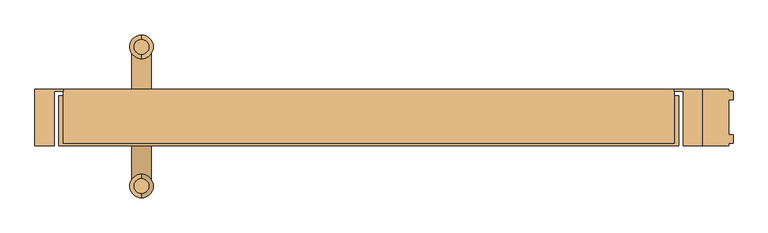
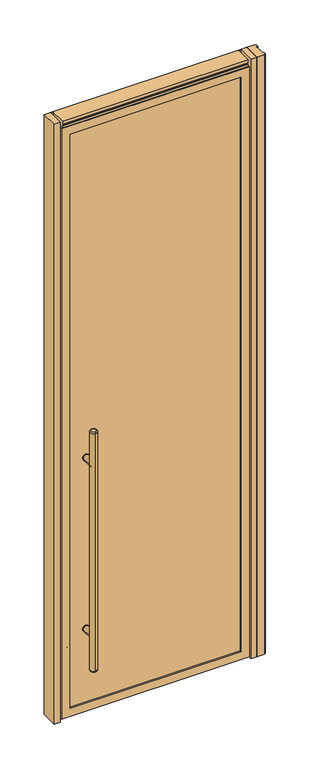
"""IFC4 building model written with IfcOpenShell, lengths in millimetres: door geometry."""

from ifc_helpers import new_model, si_unit, point, frame, frame_2d, origin, origin_with_axes, place, context, project, spatial, polyline, circle_curve, ellipse_curve, trimmed, segment, composite_curve, outline, extrude, faceted_brep, source, transform, mapped, element, save
from ifc_brep_helpers import plane_surface, cylinder_surface, revolved_surface, advanced_brep


def door_1d36312b(model_context):
    return source(origin(), model_context, "Body", "SolidModel", [
        extrude(outline(composite_curve([segment(trimmed(circle_curve(frame_2d((428.625, -331.7875)), 15.875), [point((428.625, -347.6625))], [point((428.625, -315.9125))], False, "CARTESIAN"), True, "CONTINUOUS"), segment(trimmed(circle_curve(frame_2d((428.625, -331.7875)), 15.875), [point((428.625, -315.9125))], [point((428.625, -347.6625))], False, "CARTESIAN"), True, "CONTINUOUS")], self_intersect=False)), frame((0.0, 6.35, 0.0), z_axis=(0.0, 1.0, 0.0), x_axis=(0.0, 0.0, 1.0)), (0.0, 0.0, 1.0), 3.175),
        extrude(outline(composite_curve([segment(trimmed(circle_curve(frame_2d((1298.575, -331.7875)), 15.875), [point((1298.575, -315.9125))], [point((1298.575, -347.6625))], False, "CARTESIAN"), True, "CONTINUOUS"), segment(trimmed(circle_curve(frame_2d((1298.575, -331.7875)), 15.875), [point((1298.575, -347.6625))], [point((1298.575, -315.9125))], False, "CARTESIAN"), True, "CONTINUOUS")], self_intersect=False)), frame((0.0, 6.35, 0.0), z_axis=(0.0, 1.0, 0.0), x_axis=(0.0, 0.0, 1.0)), (0.0, 0.0, 1.0), 3.175),
        extrude(outline(composite_curve([segment(trimmed(circle_curve(frame_2d((428.625, -331.7875)), 15.875), [point((428.625, -347.6625))], [point((428.625, -315.9125))], False, "CARTESIAN"), True, "CONTINUOUS"), segment(trimmed(circle_curve(frame_2d((428.625, -331.7875)), 15.875), [point((428.625, -315.9125))], [point((428.625, -347.6625))], False, "CARTESIAN"), True, "CONTINUOUS")], self_intersect=False)), frame((0.0, -69.85, 0.0), z_axis=(0.0, 1.0, 0.0), x_axis=(0.0, 0.0, 1.0)), (0.0, 0.0, 1.0), 3.175),
        extrude(outline(composite_curve([segment(trimmed(circle_curve(frame_2d((1298.575, -331.7875)), 15.875), [point((1298.575, -347.6625))], [point((1298.575, -315.9125))], False, "CARTESIAN"), True, "CONTINUOUS"), segment(trimmed(circle_curve(frame_2d((1298.575, -331.7875)), 15.875), [point((1298.575, -315.9125))], [point((1298.575, -347.6625))], False, "CARTESIAN"), True, "CONTINUOUS")], self_intersect=False)), frame((0.0, -69.85, 0.0), z_axis=(0.0, 1.0, 0.0), x_axis=(0.0, 0.0, 1.0)), (0.0, 0.0, 1.0), 3.175),
        extrude(outline(composite_curve([segment(trimmed(circle_curve(frame_2d((428.625, -331.7875)), 14.2875), [point((428.625, -317.5))], [point((428.625, -346.075))], False, "CARTESIAN"), True, "CONTINUOUS"), segment(trimmed(circle_curve(frame_2d((428.625, -331.7875)), 14.2875), [point((428.625, -346.075))], [point((428.625, -317.5))], False, "CARTESIAN"), True, "CONTINUOUS")], self_intersect=False)), frame((0.0, -131.7625, 0.0), z_axis=(0.0, 1.0, 0.0), x_axis=(0.0, 0.0, 1.0)), (0.0, 0.0, 1.0), 65.0875),
        extrude(outline(composite_curve([segment(trimmed(circle_curve(frame_2d((1298.575, -331.7875)), 14.2875), [point((1298.575, -317.5))], [point((1298.575, -346.075))], False, "CARTESIAN"), True, "CONTINUOUS"), segment(trimmed(circle_curve(frame_2d((1298.575, -331.7875)), 14.2875), [point((1298.575, -346.075))], [point((1298.575, -317.5))], False, "CARTESIAN"), True, "CONTINUOUS")], self_intersect=False)), frame((0.0, -131.7625, 0.0), z_axis=(0.0, 1.0, 0.0), x_axis=(0.0, 0.0, 1.0)), (0.0, 0.0, 1.0), 65.0875),
        advanced_brep(
        [(-331.7875, 60.6425, 1473.2), (-331.7875, 82.2325, 1473.2), (-331.7875, 82.2325, 254.0), (-331.7875, 60.6425, 254.0), (-331.7875, 88.5825, 260.35), (-331.7875, 88.5825, 1466.85), (-331.7875, 54.2925, 1466.85), (-331.7875, 54.2925, 260.35)],
        [
            (0, 1, circle_curve(frame((-331.7875, 71.4375, 1473.2), z_axis=(0.0, 0.0, 1.0), x_axis=(0.0, -1.0, 0.0)), 10.795)),
            (1, 0, circle_curve(frame((-331.7875, 71.4375, 1473.2), z_axis=(0.0, 0.0, 1.0), x_axis=(0.0, -1.0, 0.0)), 10.795)),
            (2, 3, circle_curve(frame((-331.7875, 71.4375, 254.0), z_axis=(0.0, 0.0, -1.0), x_axis=(0.0, -1.0, 0.0)), 10.795)),
            (3, 2, circle_curve(frame((-331.7875, 71.4375, 254.0), z_axis=(0.0, 0.0, -1.0), x_axis=(0.0, -1.0, 0.0)), 10.795)),
            (4, 5),
            (5, 6, circle_curve(frame((-331.7875, 71.4375, 1466.85), z_axis=(0.0, 0.0, -1.0), x_axis=(0.0, -1.0, 0.0)), 17.145)),
            (6, 7),
            (7, 4, circle_curve(frame((-331.7875, 71.4375, 260.35), z_axis=(0.0, 0.0, 1.0), x_axis=(0.0, -1.0, 0.0)), 17.145)),
            (6, 5, circle_curve(frame((-331.7875, 71.4375, 1466.85), z_axis=(0.0, 0.0, -1.0), x_axis=(0.0, -1.0, 0.0)), 17.145)),
            (4, 7, circle_curve(frame((-331.7875, 71.4375, 260.35), z_axis=(0.0, 0.0, 1.0), x_axis=(0.0, -1.0, 0.0)), 17.145)),
            (3, 7, circle_curve(frame((-331.7875, 60.6425, 260.35), z_axis=(-1.0, 0.0, 0.0), x_axis=(0.0, -1.0, 0.0)), 6.35)),
            (4, 2, circle_curve(frame((-331.7875, 82.2325, 260.35), z_axis=(-1.0, 0.0, 0.0), x_axis=(0.0, 1.0, 0.0)), 6.35)),
            (6, 0, circle_curve(frame((-331.7875, 60.6425, 1466.85), z_axis=(-1.0, 0.0, 0.0), x_axis=(0.0, -1.0, 0.0)), 6.35)),
            (1, 5, circle_curve(frame((-331.7875, 82.2325, 1466.85), z_axis=(-1.0, 0.0, 0.0), x_axis=(0.0, 1.0, 0.0)), 6.35)),
        ],
        [
            plane_surface(frame((-331.7875, -148.9075, 1473.2), z_axis=(0.0, 0.0, 1.0), x_axis=(-1.0, 0.0, 0.0))),
            plane_surface(frame((-331.7875, -148.9075, 254.0), z_axis=(0.0, 0.0, -1.0), x_axis=(1.0, 0.0, 0.0))),
            cylinder_surface(frame((-331.7875, 71.4375, 254.0), z_axis=(0.0, 0.0, 1.0), x_axis=(0.0, -1.0, 0.0)), 17.145),
            revolved_surface(trimmed(ellipse_curve(frame((-331.7875, 60.6425, 260.35), z_axis=(-1.0, 0.0, 0.0), x_axis=(0.0, -1.0, 0.0)), 6.35, 6.35), [point((-331.7875, 60.6425, 254.0))], [point((-331.7875, 54.2925, 260.35))], True, "CARTESIAN"), (-331.7875, 71.4375, 2082.8), (0.0, 0.0, 1.0)),
            revolved_surface(trimmed(ellipse_curve(frame((-331.7875, 60.6425, 1466.85), z_axis=(-1.0, 0.0, 0.0), x_axis=(0.0, -1.0, 0.0)), 6.35, 6.35), [point((-331.7875, 54.2925, 1466.85))], [point((-331.7875, 60.6425, 1473.2))], True, "CARTESIAN"), (-331.7875, 71.4375, -355.6), (0.0, 0.0, 1.0)),
        ],
        [
            (0, [[1, 2]]),
            (1, [[3, 4]]),
            (2, [[5, 6, 7, 8]]),
            (2, [[-7, 9, -5, 10]]),
            (3, [[-4, 11, -10, 12]]),
            (3, [[-8, -11, -3, -12]]),
            (4, [[-9, 13, -2, 14]]),
            (4, [[-1, -13, -6, -14]]),
        ],
    ),
        advanced_brep(
        [(-331.7875, -142.5575, 1473.2), (-331.7875, -120.9675, 1473.2), (-331.7875, -120.9675, 254.0), (-331.7875, -142.5575, 254.0), (-331.7875, -114.6175, 260.35), (-331.7875, -114.6175, 1466.85), (-331.7875, -148.9075, 1466.85), (-331.7875, -148.9075, 260.35)],
        [
            (0, 1, circle_curve(frame((-331.7875, -131.7625, 1473.2), z_axis=(0.0, 0.0, 1.0), x_axis=(0.0, 1.0, 0.0)), 10.795)),
            (1, 0, circle_curve(frame((-331.7875, -131.7625, 1473.2), z_axis=(0.0, 0.0, 1.0), x_axis=(0.0, 1.0, 0.0)), 10.795)),
            (2, 3, circle_curve(frame((-331.7875, -131.7625, 254.0), z_axis=(0.0, 0.0, -1.0), x_axis=(0.0, 1.0, 0.0)), 10.795)),
            (3, 2, circle_curve(frame((-331.7875, -131.7625, 254.0), z_axis=(0.0, 0.0, -1.0), x_axis=(0.0, 1.0, 0.0)), 10.795)),
            (4, 5),
            (5, 6, circle_curve(frame((-331.7875, -131.7625, 1466.85), z_axis=(0.0, 0.0, -1.0), x_axis=(0.0, -1.0, 0.0)), 17.145)),
            (6, 7),
            (7, 4, circle_curve(frame((-331.7875, -131.7625, 260.35), z_axis=(0.0, 0.0, 1.0), x_axis=(0.0, -1.0, 0.0)), 17.145)),
            (6, 5, circle_curve(frame((-331.7875, -131.7625, 1466.85), z_axis=(0.0, 0.0, -1.0), x_axis=(0.0, -1.0, 0.0)), 17.145)),
            (4, 7, circle_curve(frame((-331.7875, -131.7625, 260.35), z_axis=(0.0, 0.0, 1.0), x_axis=(0.0, -1.0, 0.0)), 17.145)),
            (4, 2, circle_curve(frame((-331.7875, -120.9675, 260.35), z_axis=(-1.0, 0.0, 0.0), x_axis=(0.0, 1.0, 0.0)), 6.35)),
            (3, 7, circle_curve(frame((-331.7875, -142.5575, 260.35), z_axis=(-1.0, 0.0, 0.0), x_axis=(0.0, -1.0, 0.0)), 6.35)),
            (1, 5, circle_curve(frame((-331.7875, -120.9675, 1466.85), z_axis=(-1.0, 0.0, 0.0), x_axis=(0.0, 1.0, 0.0)), 6.35)),
            (6, 0, circle_curve(frame((-331.7875, -142.5575, 1466.85), z_axis=(-1.0, 0.0, 0.0), x_axis=(0.0, -1.0, 0.0)), 6.35)),
        ],
        [
            plane_surface(frame((-331.7875, -148.9075, 1473.2), z_axis=(0.0, 0.0, 1.0), x_axis=(-1.0, 0.0, 0.0))),
            plane_surface(frame((-331.7875, -148.9075, 254.0), z_axis=(0.0, 0.0, -1.0), x_axis=(1.0, 0.0, 0.0))),
            cylinder_surface(frame((-331.7875, -131.7625, 254.0), z_axis=(0.0, 0.0, 1.0), x_axis=(0.0, -1.0, 0.0)), 17.145),
            revolved_surface(trimmed(ellipse_curve(frame((-331.7875, -120.9675, 260.35), z_axis=(-1.0, 0.0, 0.0), x_axis=(0.0, 1.0, 0.0)), 6.35, 6.35), [point((-331.7875, -114.6175, 260.35))], [point((-331.7875, -120.9675, 254.0))], True, "CARTESIAN"), (-331.7875, -131.7625, 2082.8), (0.0, 0.0, -1.0)),
            revolved_surface(trimmed(ellipse_curve(frame((-331.7875, -120.9675, 1466.85), z_axis=(-1.0, 0.0, 0.0), x_axis=(0.0, 1.0, 0.0)), 6.35, 6.35), [point((-331.7875, -120.9675, 1473.2))], [point((-331.7875, -114.6175, 1466.85))], True, "CARTESIAN"), (-331.7875, -131.7625, -355.6), (0.0, 0.0, -1.0)),
        ],
        [
            (0, [[1, 2]]),
            (1, [[3, 4]]),
            (2, [[5, 6, 7, 8]]),
            (2, [[-7, 9, -5, 10]]),
            (3, [[-10, 11, -4, 12]]),
            (3, [[-3, -11, -8, -12]]),
            (4, [[-2, 13, -9, 14]]),
            (4, [[-6, -13, -1, -14]]),
        ],
    ),
        extrude(outline(composite_curve([segment(trimmed(circle_curve(frame_2d((428.625, -331.7875)), 14.2875), [point((428.625, -317.5))], [point((428.625, -346.075))], False, "CARTESIAN"), True, "CONTINUOUS"), segment(trimmed(circle_curve(frame_2d((428.625, -331.7875)), 14.2875), [point((428.625, -346.075))], [point((428.625, -317.5))], False, "CARTESIAN"), True, "CONTINUOUS")], self_intersect=False)), frame((0.0, 6.35, 0.0), z_axis=(0.0, 1.0, 0.0), x_axis=(0.0, 0.0, 1.0)), (0.0, 0.0, 1.0), 65.0875),
        extrude(outline(composite_curve([segment(trimmed(circle_curve(frame_2d((1298.575, -331.7875)), 14.2875), [point((1298.575, -317.5))], [point((1298.575, -346.075))], False, "CARTESIAN"), True, "CONTINUOUS"), segment(trimmed(circle_curve(frame_2d((1298.575, -331.7875)), 14.2875), [point((1298.575, -346.075))], [point((1298.575, -317.5))], False, "CARTESIAN"), True, "CONTINUOUS")], self_intersect=False)), frame((0.0, 6.35, 0.0), z_axis=(0.0, 1.0, 0.0), x_axis=(0.0, 0.0, 1.0)), (0.0, 0.0, 1.0), 65.0875),
        extrude(outline(polyline([(487.3625, -73.025), (487.3625, 9.525), (525.4625, 9.525), (525.4625, 6.35), (531.8125, 6.35), (531.8125, -6.35), (525.4625, -6.35), (525.4625, -57.15), (531.8125, -57.15), (531.8125, -69.85), (525.4625, -69.85), (525.4625, -73.025), (487.3625, -73.025)])), origin_with_axes(), (0.0, 0.0, 1.0), 3048.0),
        extrude(outline(polyline([(-411.1625, -66.675), (-411.1625, -53.975), (411.1625, -53.975), (411.1625, -66.675), (-411.1625, -66.675)])), frame((0.0, 0.0, 53.975), z_axis=(0.0, 0.0, 1.0), x_axis=(1.0, 0.0, 0.0)), (0.0, 0.0, 1.0), 2917.825),
        faceted_brep([(411.1625, 0.0, 2971.8), (411.1625, 0.0, 53.975), (411.1625, -73.025, 53.975), (411.1625, -73.025, 2971.8), (-411.1625, 0.0, 53.975), (-411.1625, -73.025, 53.975), (-452.4375, -73.025, 12.7), (452.4375, -73.025, 12.7), (452.4375, -73.025, 3013.075), (-452.4375, -73.025, 3013.075), (-411.1625, -73.025, 2971.8), (-411.1625, 0.0, 2971.8), (427.0375, 0.0, 38.1), (-427.0375, 0.0, 38.1), (-427.0375, 0.0, 2987.675), (427.0375, 0.0, 2987.675), (427.0375, 9.525, 2987.675), (427.0375, 9.525, 38.1), (-427.0375, 9.525, 38.1), (-427.0375, 9.525, 2987.675), (436.5625, 9.525, 28.575), (-436.5625, 9.525, 28.575), (-436.5625, 9.525, 2997.2), (436.5625, 9.525, 2997.2), (436.5625, 0.0, 2997.2), (436.5625, 0.0, 28.575), (-436.5625, 0.0, 28.575), (-436.5625, 0.0, 2997.2), (452.4375, 0.0, 12.7), (-452.4375, 0.0, 12.7), (-452.4375, 0.0, 3013.075), (452.4375, 0.0, 3013.075)], [[[0, 1, 2, 3]], [[1, 4, 5, 2]], [[6, 7, 8, 9], [2, 5, 10, 3]], [[4, 11, 10, 5]], [[12, 13, 14, 15], [4, 1, 0, 11]], [[16, 17, 12, 15]], [[17, 18, 13, 12]], [[18, 19, 14, 13]], [[20, 21, 22, 23], [18, 17, 16, 19]], [[24, 25, 20, 23]], [[25, 26, 21, 20]], [[26, 27, 22, 21]], [[28, 29, 30, 31], [26, 25, 24, 27]], [[8, 7, 28, 31]], [[7, 6, 29, 28]], [[6, 9, 30, 29]], [[11, 0, 3, 10]], [[19, 16, 15, 14]], [[27, 24, 23, 22]], [[9, 8, 31, 30]]]),
        extrude(outline(polyline([(487.3625, -73.025), (458.7875, -73.025), (458.7875, 6.35), (446.0875, 6.35), (446.0875, 9.525), (487.3625, 9.525), (487.3625, -73.025)])), origin_with_axes(), (0.0, 0.0, 1.0), 3048.0),
        extrude(outline(polyline([(-487.3625, -73.025), (-487.3625, 9.525), (-446.0875, 9.525), (-446.0875, 6.35), (-458.7875, 6.35), (-458.7875, -73.025), (-487.3625, -73.025)])), origin_with_axes(), (0.0, 0.0, 1.0), 3048.0),
        extrude(outline(polyline([(411.1625, 6.35), (411.1625, -6.35), (-411.1625, -6.35), (-411.1625, 6.35), (411.1625, 6.35)])), frame((0.0, 0.0, 38.1), z_axis=(0.0, 0.0, 1.0), x_axis=(1.0, 0.0, 0.0)), (0.0, 0.0, 1.0), 2933.7),
        extrude(outline(polyline([(-69.85, 3003.55), (-69.85, 3025.775), (-66.675, 3025.775), (-66.675, 3032.125), (-69.85, 3032.125), (-69.85, 3048.0), (9.525, 3048.0), (9.525, 3032.125), (6.35, 3032.125), (6.35, 3025.775), (9.525, 3025.775), (9.525, 2989.5601562), (6.35, 2989.5601562), (6.35, 3003.55), (-69.85, 3003.55)])), frame((-446.0875, 0.0, 0.0), z_axis=(1.0, 0.0, 0.0), x_axis=(0.0, 1.0, 0.0)), (0.0, 0.0, 1.0), 892.175),
    ])


if __name__ == "__main__":
    model = new_model("IFC4")
    model_context = context("Model", 3, world=origin())
    ifc_project = project(units=[si_unit("LENGTHUNIT", "METRE", prefix="MILLI")], contexts=[model_context])
    site = spatial("IfcSite", under=ifc_project)
    building = spatial("IfcBuilding", under=site)
    placement = place(None, origin())
    door_shape = door_1d36312b(model_context)
    element("IfcDoor", 1, at=placement, inside=building, context=model_context, shape_type="MappedRepresentation", body=[
        mapped(door_shape, transform((0.0, 0.0, 0.0), x_axis=(1.0, 0.0, 0.0), y_axis=(0.0, 1.0, 0.0), z_axis=(0.0, 0.0, 1.0))),
    ])
    save(model, "model.ifc")
